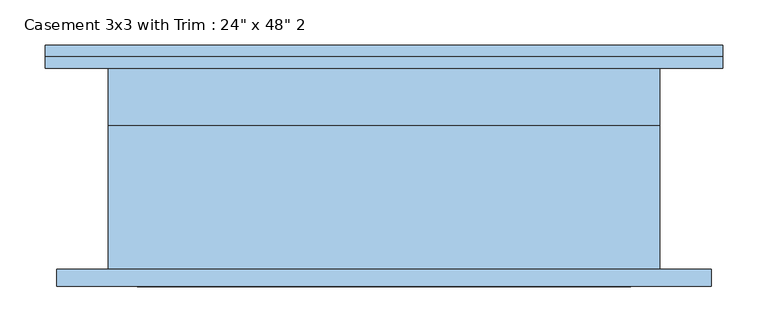
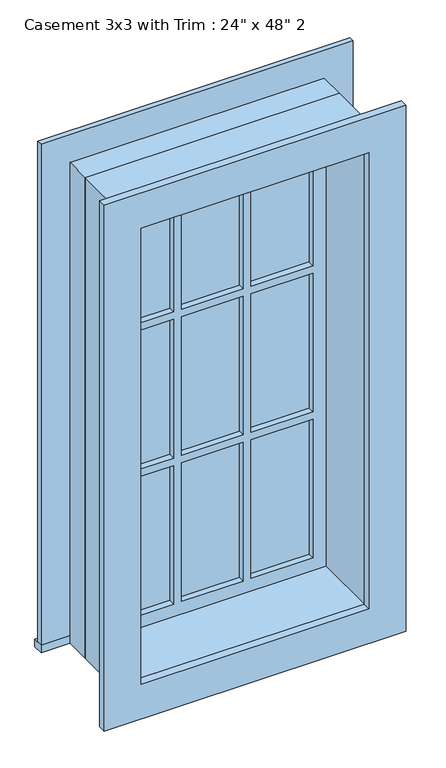
"""IFC4 building model written with IfcOpenShell, lengths in millimetres: window geometry."""

from ifc_helpers import new_model, si_unit, frame, origin, place, context, project, spatial, polyline, outline, extrude, source, transform, mapped, element, save


def window_bf6f76bc(model_context):
    return source(origin(), model_context, "Body", "SweptSolid", [
        extrude(outline(polyline([(-374.65, 136.525), (374.65, 136.525), (374.65, 111.125), (-374.65, 111.125), (-374.65, 136.525)])), frame((0.0, 0.0, 609.6), z_axis=(0.0, 0.0, 1.0), x_axis=(1.0, 0.0, 0.0)), (0.0, 0.0, 1.0), 19.05),
        extrude(outline(polyline([(1809.75, -285.75), (1809.75, 285.75), (628.65, 285.75), (628.65, 374.65), (1898.65, 374.65), (1898.65, -374.65), (628.65, -374.65), (628.65, -285.75), (1809.75, -285.75)])), frame((0.0, 111.125, 0.0), z_axis=(0.0, 1.0, 0.0), x_axis=(0.0, 0.0, 1.0)), (0.0, 0.0, 1.0), 12.7),
        extrude(outline(polyline([(93.1333333, 76.2), (241.3, 76.2), (241.3, 63.5), (93.1333333, 63.5), (93.1333333, 76.2)])), frame((0.0, 0.0, 1413.9333333), z_axis=(0.0, 0.0, 1.0), x_axis=(1.0, 0.0, 0.0)), (0.0, 0.0, 1.0), 351.3666667),
        extrude(outline(polyline([(-74.0833333, 76.2), (74.0833333, 76.2), (74.0833333, 63.5), (-74.0833333, 63.5), (-74.0833333, 76.2)])), frame((0.0, 0.0, 1413.9333333), z_axis=(0.0, 0.0, 1.0), x_axis=(1.0, 0.0, 0.0)), (0.0, 0.0, 1.0), 351.3666667),
        extrude(outline(polyline([(-241.3, 76.2), (-93.1333333, 76.2), (-93.1333333, 63.5), (-241.3, 63.5), (-241.3, 76.2)])), frame((0.0, 0.0, 1413.9333333), z_axis=(0.0, 0.0, 1.0), x_axis=(1.0, 0.0, 0.0)), (0.0, 0.0, 1.0), 351.3666667),
        extrude(outline(polyline([(-241.3, 76.2), (-93.1333333, 76.2), (-93.1333333, 63.5), (-241.3, 63.5), (-241.3, 76.2)])), frame((0.0, 0.0, 1043.5166667), z_axis=(0.0, 0.0, 1.0), x_axis=(1.0, 0.0, 0.0)), (0.0, 0.0, 1.0), 351.3666667),
        extrude(outline(polyline([(-74.0833333, 76.2), (74.0833333, 76.2), (74.0833333, 63.5), (-74.0833333, 63.5), (-74.0833333, 76.2)])), frame((0.0, 0.0, 1043.5166667), z_axis=(0.0, 0.0, 1.0), x_axis=(1.0, 0.0, 0.0)), (0.0, 0.0, 1.0), 351.3666667),
        extrude(outline(polyline([(93.1333333, 76.2), (241.3, 76.2), (241.3, 63.5), (93.1333333, 63.5), (93.1333333, 76.2)])), frame((0.0, 0.0, 1043.5166667), z_axis=(0.0, 0.0, 1.0), x_axis=(1.0, 0.0, 0.0)), (0.0, 0.0, 1.0), 351.3666667),
        extrude(outline(polyline([(93.1333333, 76.2), (241.3, 76.2), (241.3, 63.5), (93.1333333, 63.5), (93.1333333, 76.2)])), frame((0.0, 0.0, 673.1), z_axis=(0.0, 0.0, 1.0), x_axis=(1.0, 0.0, 0.0)), (0.0, 0.0, 1.0), 351.3666667),
        extrude(outline(polyline([(-74.0833333, 76.2), (74.0833333, 76.2), (74.0833333, 63.5), (-74.0833333, 63.5), (-74.0833333, 76.2)])), frame((0.0, 0.0, 673.1), z_axis=(0.0, 0.0, 1.0), x_axis=(1.0, 0.0, 0.0)), (0.0, 0.0, 1.0), 351.3666667),
        extrude(outline(polyline([(-241.3, 76.2), (-93.1333333, 76.2), (-93.1333333, 63.5), (-241.3, 63.5), (-241.3, 76.2)])), frame((0.0, 0.0, 673.1), z_axis=(0.0, 0.0, 1.0), x_axis=(1.0, 0.0, 0.0)), (0.0, 0.0, 1.0), 351.3666667),
        extrude(outline(polyline([(1885.95, 361.95), (1885.95, -361.95), (552.45, -361.95), (552.45, 361.95), (1885.95, 361.95)]), holes=[polyline([(1797.05, 273.05), (641.35, 273.05), (641.35, -273.05), (1797.05, -273.05), (1797.05, 273.05)])]), frame((0.0, -130.175, 0.0), z_axis=(0.0, 1.0, 0.0), x_axis=(0.0, 0.0, 1.0)), (0.0, 0.0, 1.0), 19.05),
        extrude(outline(polyline([(1809.75, -285.75), (628.65, -285.75), (628.65, 285.75), (1809.75, 285.75), (1809.75, -285.75)]), holes=[polyline([(1765.3, -93.1333333), (1413.9333333, -93.1333333), (1413.9333333, -241.3), (1765.3, -241.3), (1765.3, -93.1333333)]), polyline([(1394.8833333, -93.1333333), (1043.5166667, -93.1333333), (1043.5166667, -241.3), (1394.8833333, -241.3), (1394.8833333, -93.1333333)]), polyline([(1024.4666667, -93.1333333), (673.1, -93.1333333), (673.1, -241.3), (1024.4666667, -241.3), (1024.4666667, -93.1333333)]), polyline([(1765.3, 74.0833333), (1413.9333333, 74.0833333), (1413.9333333, -74.0833333), (1765.3, -74.0833333), (1765.3, 74.0833333)]), polyline([(1394.8833333, 74.0833333), (1043.5166667, 74.0833333), (1043.5166667, -74.0833333), (1394.8833333, -74.0833333), (1394.8833333, 74.0833333)]), polyline([(1024.4666667, 74.0833333), (673.1, 74.0833333), (673.1, -74.0833333), (1024.4666667, -74.0833333), (1024.4666667, 74.0833333)]), polyline([(1765.3, 241.3), (1413.9333333, 241.3), (1413.9333333, 93.1333333), (1765.3, 93.1333333), (1765.3, 241.3)]), polyline([(1394.8833333, 241.3), (1043.5166667, 241.3), (1043.5166667, 93.1333333), (1394.8833333, 93.1333333), (1394.8833333, 241.3)]), polyline([(1024.4666667, 241.3), (673.1, 241.3), (673.1, 93.1333333), (1024.4666667, 93.1333333), (1024.4666667, 241.3)])]), frame((0.0, 47.625, 0.0), z_axis=(0.0, 1.0, 0.0), x_axis=(0.0, 0.0, 1.0)), (0.0, 0.0, 1.0), 44.45),
        extrude(outline(polyline([(1828.8, -304.8), (609.6, -304.8), (609.6, 304.8), (1828.8, 304.8), (1828.8, -304.8)]), holes=[polyline([(1797.05, -273.05), (1797.05, 273.05), (641.35, 273.05), (641.35, -273.05), (1797.05, -273.05)])]), frame((0.0, -111.125, 0.0), z_axis=(0.0, 1.0, 0.0), x_axis=(0.0, 0.0, 1.0)), (0.0, 0.0, 1.0), 158.75),
        extrude(outline(polyline([(1828.8, 304.8), (1828.8, -304.8), (609.6, -304.8), (609.6, 304.8), (1828.8, 304.8)]), holes=[polyline([(1809.75, 285.75), (628.65, 285.75), (628.65, -285.75), (1809.75, -285.75), (1809.75, 285.75)])]), frame((0.0, 47.625, 0.0), z_axis=(0.0, 1.0, 0.0), x_axis=(0.0, 0.0, 1.0)), (0.0, 0.0, 1.0), 63.5),
    ])


if __name__ == "__main__":
    model = new_model("IFC4")
    model_context = context("Model", 3, world=origin())
    ifc_project = project(units=[si_unit("LENGTHUNIT", "METRE", prefix="MILLI")], contexts=[model_context])
    site = spatial("IfcSite", under=ifc_project)
    building = spatial("IfcBuilding", under=site)
    placement = place(None, origin())
    window_shape = window_bf6f76bc(model_context)
    element("IfcWindow", 1, ObjectType="Casement 3x3 with Trim : 24\" x 48\" 2", at=placement, inside=building, context=model_context, shape_type="MappedRepresentation", body=[
        mapped(window_shape, transform((0.0, 0.0, 0.0), x_axis=(1.0, 0.0, 0.0), y_axis=(0.0, 1.0, 0.0), z_axis=(0.0, 0.0, 1.0))),
    ])
    save(model, "model.ifc")
